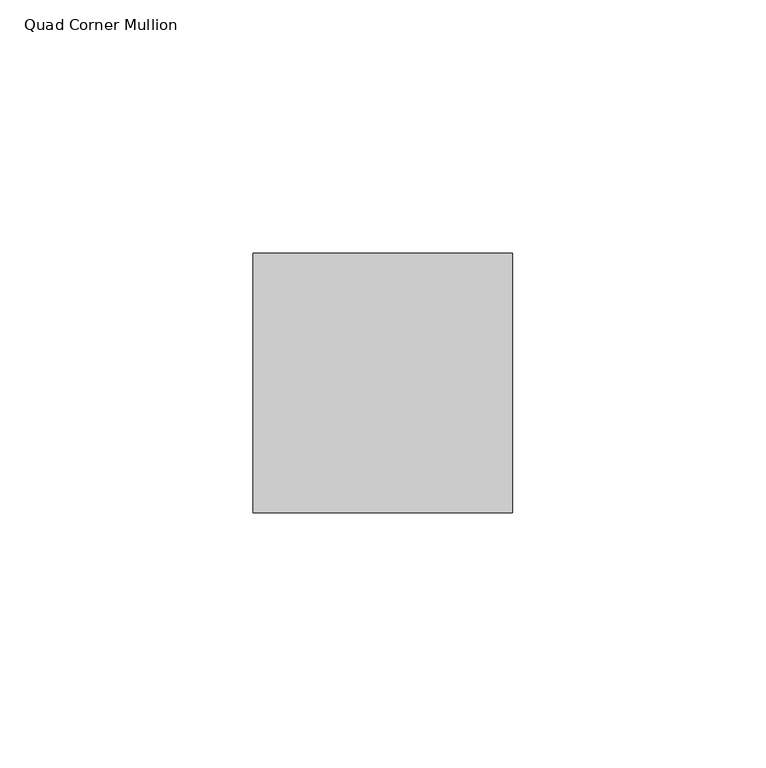
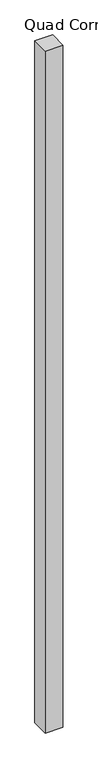
"""IFC4 building model written with IfcOpenShell, lengths in millimetres: member geometry, Quad Corner Mullion."""

from ifc_helpers import new_model, si_unit, frame, origin, place, context, project, spatial, polyline, outline, extrude, source, transform, mapped, element, save


def quad_corner_mullion_a3f715ff(model_context):
    return source(origin(), model_context, "Body", "SweptSolid", [
        extrude(outline(polyline([(12.7496094, -38.5464844), (-38.5464844, -38.5464844), (-38.5464844, 12.7496094), (12.7496094, 12.7496094), (12.7496094, -38.5464844)])), frame((0.0, 0.0, -2078.6680655), z_axis=(0.0, 0.0, 1.0), x_axis=(1.0, 0.0, 0.0)), (0.0, 0.0, 1.0), 2078.6680655),
    ])


if __name__ == "__main__":
    model = new_model("IFC4")
    model_context = context("Model", 3, world=origin())
    ifc_project = project(units=[si_unit("LENGTHUNIT", "METRE", prefix="MILLI")], contexts=[model_context])
    site = spatial("IfcSite", under=ifc_project)
    building = spatial("IfcBuilding", under=site)
    placement = place(None, origin())
    quad_corner_mullion_shape = quad_corner_mullion_a3f715ff(model_context)
    element("IfcMember", 1, ObjectType="Quad Corner Mullion", at=placement, inside=building, context=model_context, shape_type="MappedRepresentation", body=[
        mapped(quad_corner_mullion_shape, transform((0.0, 0.0, 0.0), x_axis=(1.0, 0.0, 0.0), y_axis=(0.0, 1.0, 0.0), z_axis=(0.0, 0.0, 1.0))),
    ])
    save(model, "model.ifc")
